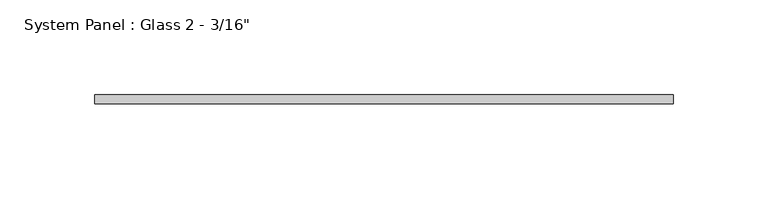
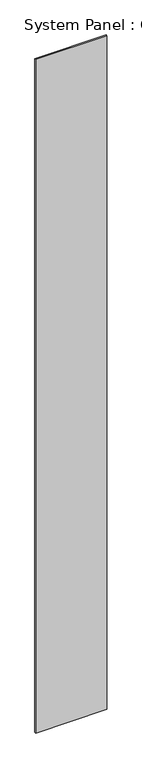
"""IFC4 building model written with IfcOpenShell, lengths in millimetres: plate geometry."""

from ifc_helpers import new_model, si_unit, origin, origin_with_axes, place, context, project, spatial, polyline, outline, extrude, source, transform, mapped, element, save


def plate_2a2ed74c(model_context):
    return source(origin(), model_context, "Body", "SweptSolid", [
        extrude(outline(polyline([(152.4, -11.1125), (-152.4, -11.1125), (-152.4, -6.35), (152.4, -6.35), (152.4, -11.1125)])), origin_with_axes(), (0.0, 0.0, 1.0), 3048.0),
    ])


if __name__ == "__main__":
    model = new_model("IFC4")
    model_context = context("Model", 3, world=origin())
    ifc_project = project(units=[si_unit("LENGTHUNIT", "METRE", prefix="MILLI")], contexts=[model_context])
    site = spatial("IfcSite", under=ifc_project)
    building = spatial("IfcBuilding", under=site)
    placement = place(None, origin())
    plate_shape = plate_2a2ed74c(model_context)
    element("IfcPlate", 1, ObjectType="System Panel : Glass 2 - 3/16\"", at=placement, inside=building, context=model_context, shape_type="MappedRepresentation", body=[
        mapped(plate_shape, transform((0.0, 0.0, 0.0), x_axis=(1.0, 0.0, 0.0), y_axis=(0.0, 1.0, 0.0), z_axis=(0.0, 0.0, 1.0))),
    ])
    save(model, "model.ifc")
